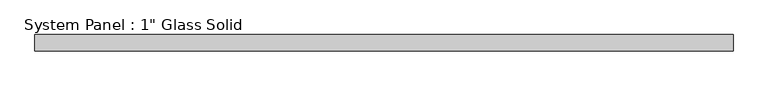
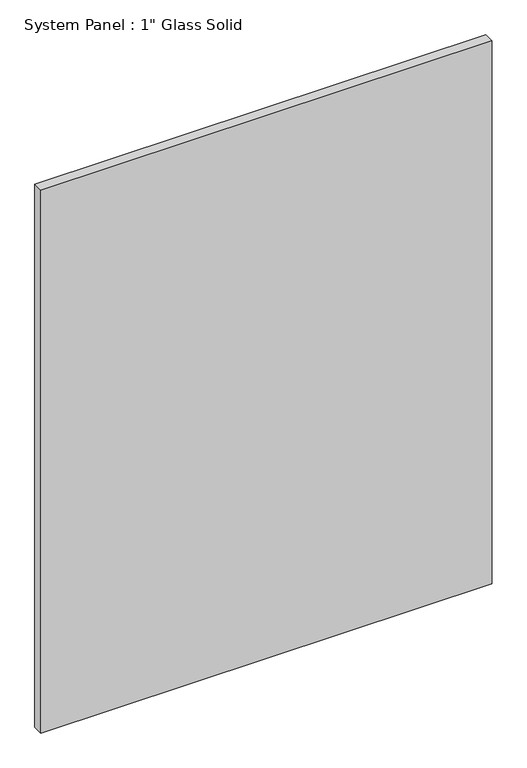
"""IFC4 building model written with IfcOpenShell, lengths in millimetres: plate geometry."""

from ifc_helpers import new_model, si_unit, origin, origin_with_axes, place, context, project, spatial, polyline, outline, extrude, source, transform, mapped, element, save


def plate_7ca85c25(model_context):
    return source(origin(), model_context, "Body", "SweptSolid", [
        extrude(outline(polyline([(548.6970691, -12.7), (-548.6970691, -12.7), (-548.6970691, 12.7), (548.6970691, 12.7), (548.6970691, -12.7)])), origin_with_axes(), (0.0, 0.0, 1.0), 1394.5741382),
    ])


if __name__ == "__main__":
    model = new_model("IFC4")
    model_context = context("Model", 3, world=origin())
    ifc_project = project(units=[si_unit("LENGTHUNIT", "METRE", prefix="MILLI")], contexts=[model_context])
    site = spatial("IfcSite", under=ifc_project)
    building = spatial("IfcBuilding", under=site)
    placement = place(None, origin())
    plate_shape = plate_7ca85c25(model_context)
    element("IfcPlate", 1, ObjectType="System Panel : 1\" Glass Solid", at=placement, inside=building, context=model_context, shape_type="MappedRepresentation", body=[
        mapped(plate_shape, transform((0.0, 0.0, 0.0), x_axis=(1.0, 0.0, 0.0), y_axis=(0.0, 1.0, 0.0), z_axis=(0.0, 0.0, 1.0))),
    ])
    save(model, "model.ifc")
